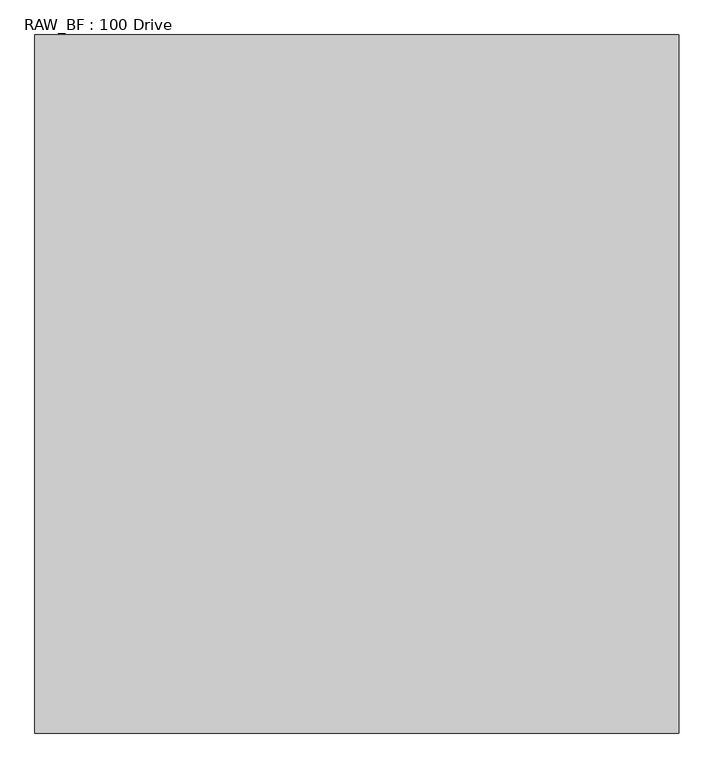
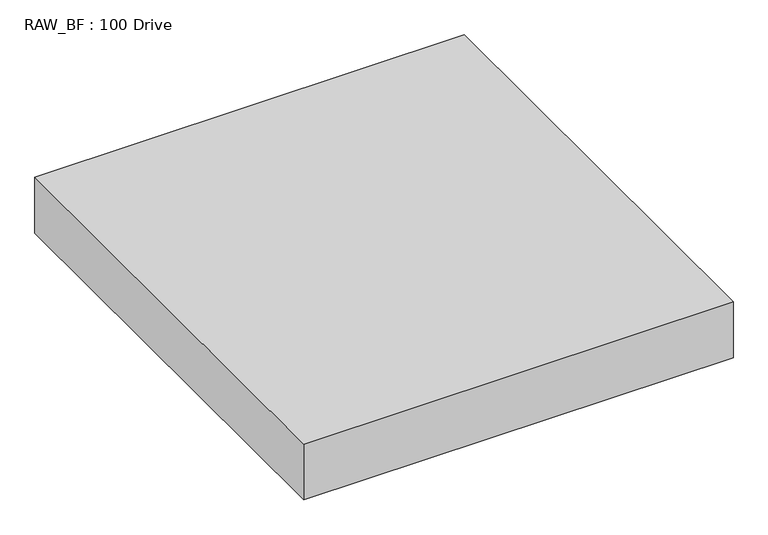
"""IFC4 building model written with IfcOpenShell, lengths in millimetres: proxy geometry, RAW_BF : 100 Drive."""

from ifc_helpers import new_model, si_unit, frame, origin, place, context, project, spatial, polyline, outline, extrude, source, transform, mapped, element, save


def raw_bf_100_drive_4ef50df0(model_context):
    return source(origin(), model_context, "Body", "SweptSolid", [
        extrude(outline(polyline([(600.0, 0.0), (600.0, -1300.0), (-600.0, -1300.0), (-600.0, 0.0), (600.0, 0.0)])), frame((0.0, 0.0, -165.0), z_axis=(0.0, 0.0, 1.0), x_axis=(1.0, 0.0, 0.0)), (0.0, 0.0, 1.0), 165.0),
    ])


if __name__ == "__main__":
    model = new_model("IFC4")
    model_context = context("Model", 3, world=origin())
    ifc_project = project(units=[si_unit("LENGTHUNIT", "METRE", prefix="MILLI")], contexts=[model_context])
    site = spatial("IfcSite", under=ifc_project)
    building = spatial("IfcBuilding", under=site)
    placement = place(None, origin())
    raw_bf_100_drive_shape = raw_bf_100_drive_4ef50df0(model_context)
    element("IfcBuildingElementProxy", 1, Name="RAW_BF : 100 Drive", ObjectType="RAW_BF : 100 Drive", at=placement, inside=building, context=model_context, shape_type="MappedRepresentation", body=[
        mapped(raw_bf_100_drive_shape, transform((0.0, 0.0, 0.0), x_axis=(1.0, 0.0, 0.0), y_axis=(0.0, 1.0, 0.0), z_axis=(0.0, 0.0, 1.0))),
    ])
    save(model, "model.ifc")
